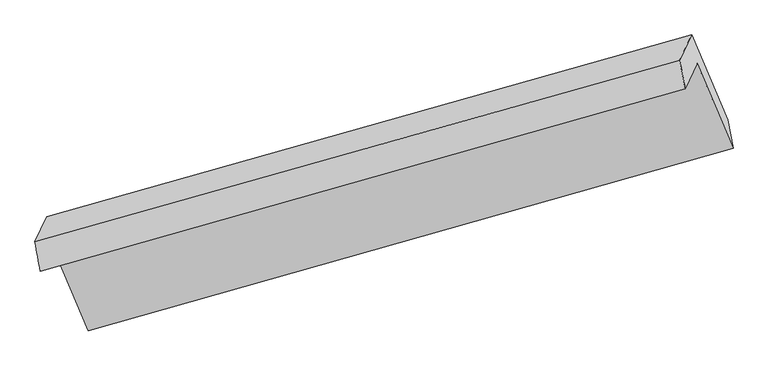
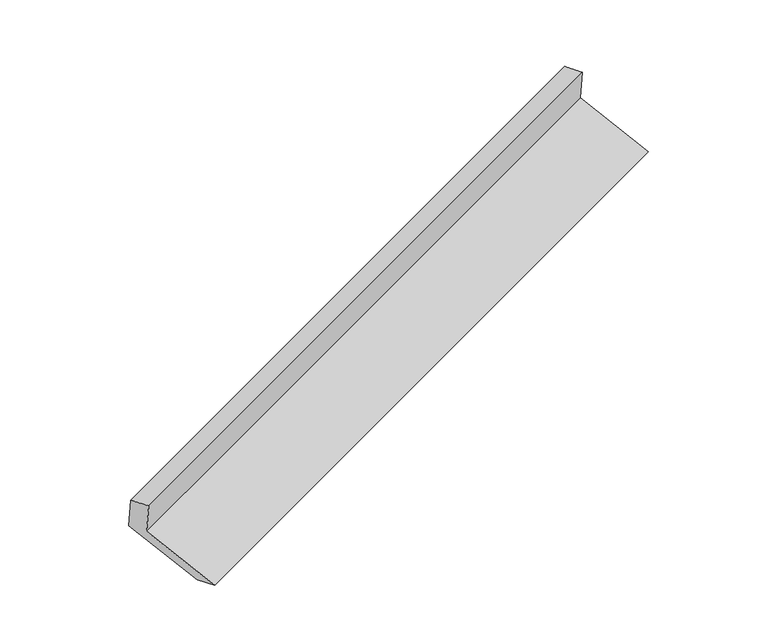
"""IFC4 building model written with IfcOpenShell, lengths in millimetres: proxy geometry."""

from ifc_helpers import new_model, si_unit, frame, origin, place, context, project, spatial, source, transform, mapped, element, save
from ifc_brep_helpers import plane_surface, spline_surface, advanced_brep


def generic_models_471e0061(model_context):
    return source(origin(), model_context, "Body", "AdvancedBrep", [
        advanced_brep(
        [(-5137.9326293, -2136.6902228, 1478.8839462), (-5057.756058, -1967.9618432, 1123.5389508), (-735.0937914, -745.2309607, 2690.7488895), (-815.2703627, -913.9593403, 3046.0938849), (-5173.1691488, -1940.9870994, 1421.5346408), (-852.5040225, -722.4591187, 2997.5959662), (-5092.9925775, -1772.2587197, 1066.1896454), (-772.3274513, -553.7307391, 2642.2509708), (-4852.2463881, -2341.3044457, 850.3094156), (-531.5812619, -1122.776465, 2426.3707409), (-4817.0098686, -2537.0075691, 907.658721), (-494.347602, -1314.2766866, 2474.8686596)],
        [
            (0, 1),
            (1, 2),
            (2, 3),
            (3, 0),
            (4, 0),
            (3, 5),
            (5, 4),
            (6, 4),
            (5, 7),
            (7, 6),
            (8, 6),
            (7, 9),
            (9, 8),
            (10, 8),
            (9, 11),
            (11, 10),
            (1, 10),
            (11, 2),
        ],
        [
            plane_surface(frame((-5097.8443436, -2052.326033, 1301.2114485), z_axis=(0.3659200663880321, -0.8699738534925432, -0.330526851033185), x_axis=(0.19971403718166755, 0.42029018400573415, -0.8851386696902501))),
            spline_surface(1, 1, [[(-5173.1691488, -1940.9870994, 1421.5346408), (-852.5040225, -722.4591187, 2997.5959662)], [(-5137.9326293, -2136.6902228, 1478.8839462), (-815.2703627, -913.9593403, 3046.0938849)]], [2, 2], [2, 2], [0.0, 1.0], [0.0, 1.0]),
            plane_surface(frame((-5133.0808632, -1856.6229095, 1243.8621431), z_axis=(-0.365920066388029, 0.8699738534925446, 0.3305268510331851), x_axis=(-0.19971403718166766, -0.42029018400573304, 0.8851386696902507))),
            plane_surface(frame((-4972.6194828, -2056.7815827, 958.2495305), z_axis=(0.2035299625863497, 0.4213781775545439, -0.8837510881523204), x_axis=(-0.36782973646625367, 0.869429916843046, 0.3298376944338844))),
            spline_surface(1, 1, [[(-4817.0098686, -2537.0075691, 907.658721), (-494.347602, -1314.2766866, 2474.8686596)], [(-4852.2463881, -2341.3044457, 850.3094156), (-531.5812619, -1122.776465, 2426.3707409)]], [2, 2], [2, 2], [0.0, 1.0], [0.0, 1.0]),
            plane_surface(frame((-4937.3829633, -2252.4847062, 1015.5988359), z_axis=(-0.20162245365682246, -0.4208351127248798, 0.8844468294246073), x_axis=(0.36782973646623374, -0.8694299168430567, -0.3298376944338784))),
            plane_surface(frame((-700.1874153, -895.4055517, 2712.9881853), z_axis=(0.9081935852690031, 0.25970710603817093, 0.3282325863614284), x_axis=(-0.36782973646625367, 0.869429916843046, 0.3298376944338844))),
            plane_surface(frame((-5021.8511117, -2116.0349833, 1141.3525533), z_axis=(-0.9081935852689982, -0.25970710603816555, -0.3282325863614455), x_axis=(-0.1997140371816871, -0.4202901840057313, 0.885138669690247))),
        ],
        [
            (0, [[1, 2, 3, 4]]),
            (1, [[5, -4, 6, 7]]),
            (2, [[8, -7, 9, 10]]),
            (3, [[11, -10, 12, 13]]),
            (4, [[14, -13, 15, 16]]),
            (5, [[17, -16, 18, -2]]),
            (6, [[-12, -9, -6, -3, -18, -15]]),
            (7, [[-1, -5, -8, -11, -14, -17]]),
        ],
    ),
    ])


if __name__ == "__main__":
    model = new_model("IFC4")
    model_context = context("Model", 3, world=origin())
    ifc_project = project(units=[si_unit("LENGTHUNIT", "METRE", prefix="MILLI")], contexts=[model_context])
    site = spatial("IfcSite", under=ifc_project)
    building = spatial("IfcBuilding", under=site)
    placement = place(None, origin())
    generic_models_shape = generic_models_471e0061(model_context)
    element("IfcBuildingElementProxy", 1, Name="Generic Models", at=placement, inside=building, context=model_context, shape_type="MappedRepresentation", body=[
        mapped(generic_models_shape, transform((0.0, 0.0, 0.0), x_axis=(1.0, 0.0, 0.0), y_axis=(0.0, 1.0, 0.0), z_axis=(0.0, 0.0, 1.0))),
    ])
    save(model, "model.ifc")
